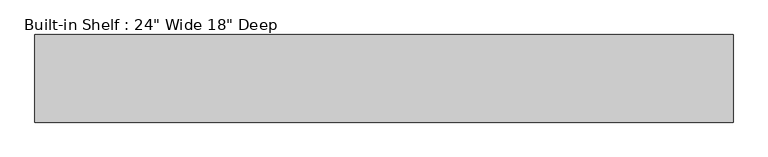
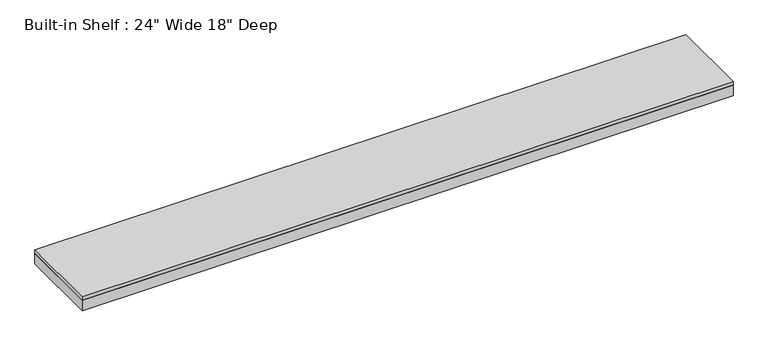
"""IFC4 building model written with IfcOpenShell, lengths in millimetres: furniture geometry."""

from ifc_helpers import new_model, si_unit, frame, origin, place, context, project, spatial, polyline, outline, extrude, source, transform, mapped, element, save


def furniture_fdd35b76(model_context):
    return source(origin(), model_context, "Body", "SweptSolid", [
        extrude(outline(polyline([(1820.9868177, 554.0375), (1820.9868177, 96.8375), (-1820.9868177, 96.8375), (-1820.9868177, 554.0375), (1820.9868177, 554.0375)])), frame((0.0, 0.0, 2114.55), z_axis=(0.0, 0.0, 1.0), x_axis=(1.0, 0.0, 0.0)), (0.0, 0.0, 1.0), 19.05),
        extrude(outline(polyline([(1820.9868177, 96.8375), (-1820.9868177, 96.8375), (-1820.9868177, 554.0375), (-1801.9368177, 554.0375), (-1801.9368177, 115.8875), (1801.9368177, 115.8875), (1801.9368177, 554.0375), (1820.9868177, 554.0375), (1820.9868177, 96.8375)])), frame((0.0, 0.0, 2051.05), z_axis=(0.0, 0.0, 1.0), x_axis=(1.0, 0.0, 0.0)), (0.0, 0.0, 1.0), 63.5),
    ])


if __name__ == "__main__":
    model = new_model("IFC4")
    model_context = context("Model", 3, world=origin())
    ifc_project = project(units=[si_unit("LENGTHUNIT", "METRE", prefix="MILLI")], contexts=[model_context])
    site = spatial("IfcSite", under=ifc_project)
    building = spatial("IfcBuilding", under=site)
    placement = place(None, origin())
    furniture_shape = furniture_fdd35b76(model_context)
    element("IfcFurniture", 1, ObjectType="Built-in Shelf : 24\" Wide 18\" Deep", at=placement, inside=building, context=model_context, shape_type="MappedRepresentation", body=[
        mapped(furniture_shape, transform((0.0, 0.0, 0.0), x_axis=(1.0, 0.0, 0.0), y_axis=(0.0, 1.0, 0.0), z_axis=(0.0, 0.0, 1.0))),
    ])
    save(model, "model.ifc")
